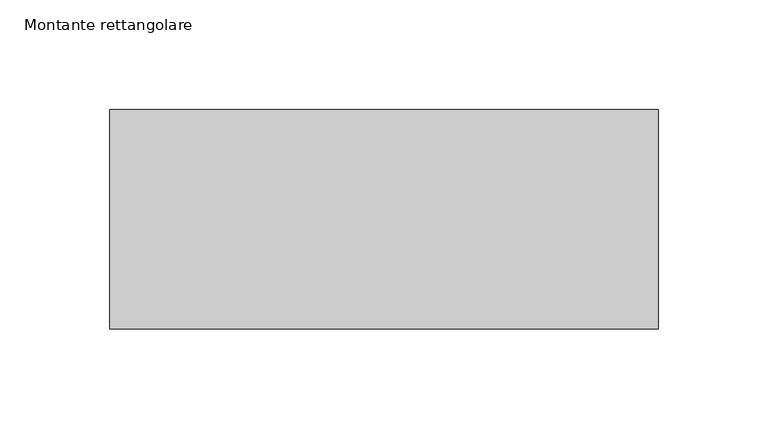
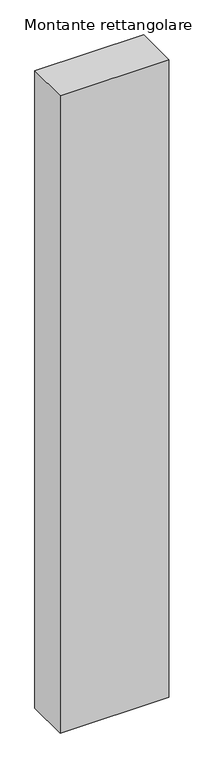
"""IFC4 building model written with IfcOpenShell, lengths in millimetres: member geometry, Montante rettangolare."""

from ifc_helpers import new_model, si_unit, frame, origin, place, context, project, spatial, polyline, outline, extrude, source, transform, mapped, element, save


def montante_rettangolare_07acf6f1(model_context):
    return source(origin(), model_context, "Body", "SweptSolid", [
        extrude(outline(polyline([(125.0, 50.0), (125.0, -50.0), (-125.0, -50.0), (-125.0, 50.0), (125.0, 50.0)])), frame((0.0, 0.0, -1549.5764037), z_axis=(0.0, 0.0, 1.0), x_axis=(1.0, 0.0, 0.0)), (0.0, 0.0, 1.0), 1549.5764037),
    ])


if __name__ == "__main__":
    model = new_model("IFC4")
    model_context = context("Model", 3, world=origin())
    ifc_project = project(units=[si_unit("LENGTHUNIT", "METRE", prefix="MILLI")], contexts=[model_context])
    site = spatial("IfcSite", under=ifc_project)
    building = spatial("IfcBuilding", under=site)
    placement = place(None, origin())
    montante_rettangolare_shape = montante_rettangolare_07acf6f1(model_context)
    element("IfcMember", 1, ObjectType="Montante rettangolare", at=placement, inside=building, context=model_context, shape_type="MappedRepresentation", body=[
        mapped(montante_rettangolare_shape, transform((0.0, 0.0, 0.0), x_axis=(1.0, 0.0, 0.0), y_axis=(0.0, 1.0, 0.0), z_axis=(0.0, 0.0, 1.0))),
    ])
    save(model, "model.ifc")
